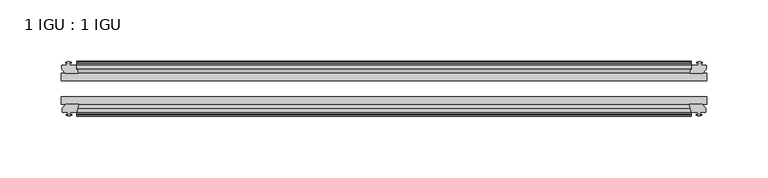
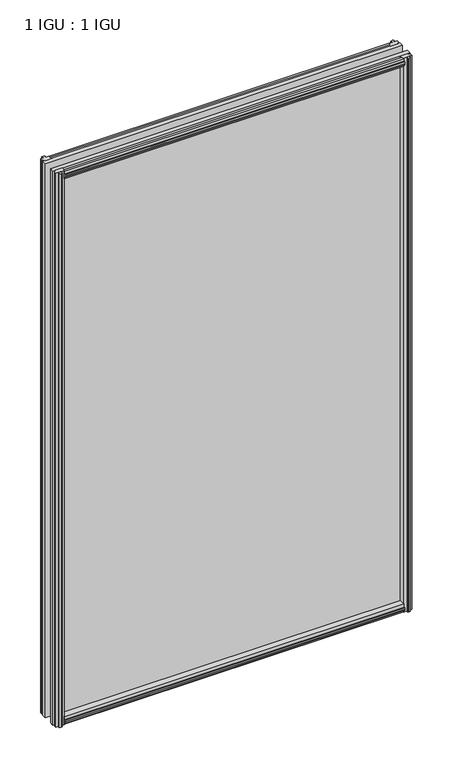
"""IFC4 building model written with IfcOpenShell, lengths in millimetres: plate geometry, 1 IGU : 1 IGU."""

from ifc_helpers import new_model, si_unit, frame, origin, place, context, project, spatial, polyline, outline, extrude, source, transform, mapped, element, save


def plate_1_igu_1_igu_e1615605(model_context):
    return source(origin(), model_context, "Body", "SweptSolid", [
        extrude(outline(polyline([(-25.8960937, 1.1970181), (-19.5460937, -0.5207), (-19.5460937, -5.7277), (-17.1658968, -6.1087), (-17.62583, -4.6931709), (-16.8246158, -4.6931709), (-16.1170937, -6.8707), (-16.8246158, -9.0482291), (-17.62583, -9.0482291), (-17.1658968, -7.6327), (-19.5460937, -8.0137), (-19.5460937, -12.4587), (-22.4924937, -12.4587), (-25.8960937, -9.6243578), (-25.8960937, 1.1970181)])), frame((-250.809125, 0.0, 0.0), z_axis=(1.0, 0.0, 0.0), x_axis=(0.0, 1.0, 0.0)), (0.0, 0.0, 1.0), 501.61825),
        extrude(outline(polyline([(-51.2960937, 1.7177181), (-51.2960937, -9.1036578), (-54.6996937, -11.938), (-57.6460937, -11.938), (-57.6460937, -7.493), (-60.0262907, -7.112), (-59.5663575, -8.5275291), (-60.3675717, -8.5275291), (-61.0750937, -6.35), (-60.3675717, -4.1724709), (-59.5663575, -4.1724709), (-60.0262907, -5.588), (-57.6460937, -5.207), (-57.6460937, 0.0), (-51.2960937, 1.7177181)])), frame((-250.809125, 0.0, 0.0), z_axis=(1.0, 0.0, 0.0), x_axis=(0.0, 1.0, 0.0)), (0.0, 0.0, 1.0), 501.61825),
        extrude(outline(polyline([(-57.6460937, 850.138), (-54.6996937, 850.138), (-51.2960937, 847.3036578), (-51.2960937, 836.4822819), (-57.6460937, 838.2), (-57.6460937, 843.407), (-60.0262907, 843.788), (-59.5663575, 842.3724709), (-60.3675717, 842.3724709), (-61.0750937, 844.55), (-60.3675717, 846.727529), (-59.5663575, 846.727529), (-60.0262907, 845.312), (-57.6460937, 845.693), (-57.6460937, 850.138)])), frame((-250.809125, 0.0, 0.0), z_axis=(1.0, 0.0, 0.0), x_axis=(0.0, 1.0, 0.0)), (0.0, 0.0, 1.0), 501.61825),
        extrude(outline(polyline([(-19.5460937, 850.6587), (-19.5460937, 846.2137), (-17.1658968, 845.8327), (-17.62583, 847.248229), (-16.8246158, 847.248229), (-16.1170937, 845.0707), (-16.8246158, 842.8931709), (-17.62583, 842.8931709), (-17.1658968, 844.3087), (-19.5460937, 843.9277), (-19.5460937, 838.7207), (-25.8960937, 837.0029819), (-25.8960937, 847.8243578), (-22.4924937, 850.6587), (-19.5460937, 850.6587)])), frame((-250.809125, 0.0, 0.0), z_axis=(1.0, 0.0, 0.0), x_axis=(0.0, 1.0, 0.0)), (0.0, 0.0, 1.0), 501.61825),
        extrude(outline(polyline([(-257.679825, -16.1170937), (-255.5022959, -16.8246158), (-255.5022959, -17.62583), (-256.917825, -17.1658968), (-256.536825, -19.5460937), (-251.329825, -19.5460937), (-249.6121069, -25.8960937), (-260.4334828, -25.8960937), (-263.267825, -22.4924937), (-263.267825, -19.5460937), (-258.822825, -19.5460937), (-258.441825, -17.1658968), (-259.8573541, -17.62583), (-259.8573541, -16.8246158), (-257.679825, -16.1170937)])), frame((0.0, 0.0, -12.7), z_axis=(0.0, 0.0, 1.0), x_axis=(1.0, 0.0, 0.0)), (0.0, 0.0, 1.0), 863.6),
        extrude(outline(polyline([(-257.159125, -61.0750938), (-259.3366541, -60.3675717), (-259.3366541, -59.5663575), (-257.921125, -60.0262907), (-258.302125, -57.6460938), (-262.747125, -57.6460938), (-262.747125, -54.6996938), (-259.9127828, -51.2960937), (-249.0914069, -51.2960937), (-250.809125, -57.6460938), (-256.016125, -57.6460938), (-256.397125, -60.0262907), (-254.9815959, -59.5663575), (-254.9815959, -60.3675717), (-257.159125, -61.0750938)])), frame((0.0, 0.0, -12.7), z_axis=(0.0, 0.0, 1.0), x_axis=(1.0, 0.0, 0.0)), (0.0, 0.0, 1.0), 863.6),
        extrude(outline(polyline([(256.536825, -19.5460937), (256.917825, -17.1658968), (255.5022959, -17.62583), (255.5022959, -16.8246158), (257.679825, -16.1170937), (259.8573541, -16.8246158), (259.8573541, -17.62583), (258.441825, -17.1658968), (258.822825, -19.5460937), (263.267825, -19.5460937), (263.267825, -22.4924937), (260.4334828, -25.8960937), (249.6121069, -25.8960937), (251.329825, -19.5460937), (256.536825, -19.5460937)])), frame((0.0, 0.0, -12.7), z_axis=(0.0, 0.0, 1.0), x_axis=(1.0, 0.0, 0.0)), (0.0, 0.0, 1.0), 863.6),
        extrude(outline(polyline([(259.9127828, -51.2960937), (262.747125, -54.6996937), (262.747125, -57.6460937), (258.302125, -57.6460937), (257.921125, -60.0262907), (259.3366541, -59.5663575), (259.3366541, -60.3675717), (257.159125, -61.0750937), (254.9815959, -60.3675717), (254.9815959, -59.5663575), (256.397125, -60.0262907), (256.016125, -57.6460937), (250.809125, -57.6460937), (249.0914069, -51.2960937), (259.9127828, -51.2960937)])), frame((0.0, 0.0, -12.7), z_axis=(0.0, 0.0, 1.0), x_axis=(1.0, 0.0, 0.0)), (0.0, 0.0, 1.0), 863.6),
        extrude(outline(polyline([(-263.509125, -25.8960937), (263.509125, -25.8960937), (263.509125, -32.2460937), (-263.509125, -32.2460937), (-263.509125, -25.8960937)])), frame((0.0, 0.0, -12.7), z_axis=(0.0, 0.0, 1.0), x_axis=(1.0, 0.0, 0.0)), (0.0, 0.0, 1.0), 863.6),
        extrude(outline(polyline([(263.509125, -45.2686737), (263.509125, -51.2960937), (-263.509125, -51.2960937), (-263.509125, -45.2686737), (263.509125, -45.2686737)])), frame((0.0, 0.0, -12.7), z_axis=(0.0, 0.0, 1.0), x_axis=(1.0, 0.0, 0.0)), (0.0, 0.0, 1.0), 863.6),
    ])


if __name__ == "__main__":
    model = new_model("IFC4")
    model_context = context("Model", 3, world=origin())
    ifc_project = project(units=[si_unit("LENGTHUNIT", "METRE", prefix="MILLI")], contexts=[model_context])
    site = spatial("IfcSite", under=ifc_project)
    building = spatial("IfcBuilding", under=site)
    placement = place(None, origin())
    plate_1_igu_1_igu_shape = plate_1_igu_1_igu_e1615605(model_context)
    element("IfcPlate", 1, ObjectType="1 IGU : 1 IGU", at=placement, inside=building, context=model_context, shape_type="MappedRepresentation", body=[
        mapped(plate_1_igu_1_igu_shape, transform((0.0, 0.0, 0.0), x_axis=(1.0, 0.0, 0.0), y_axis=(0.0, 1.0, 0.0), z_axis=(0.0, 0.0, 1.0))),
    ])
    save(model, "model.ifc")
